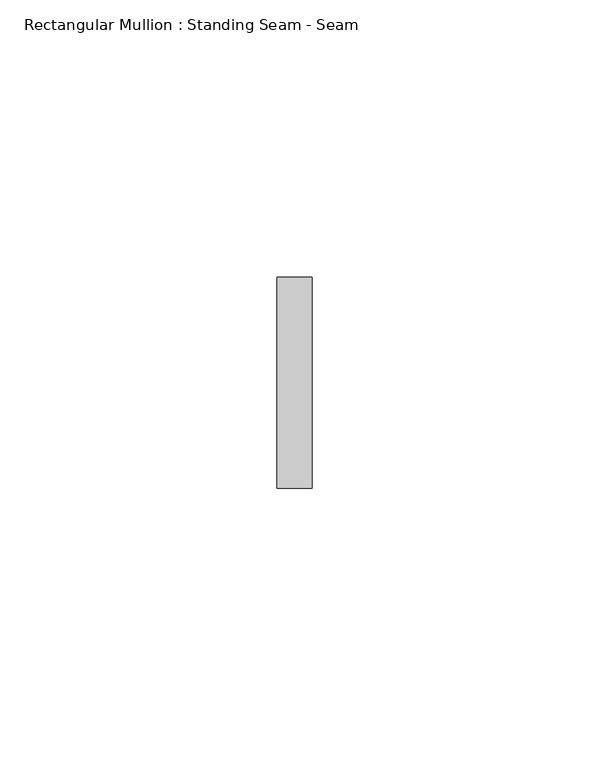
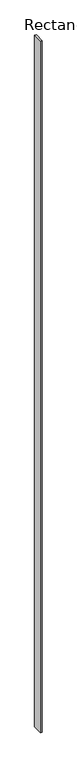
"""IFC4 building model written with IfcOpenShell, lengths in millimetres: member geometry, Rectangular Mullion : Standing Seam - Seam."""

from ifc_helpers import new_model, si_unit, frame, origin, place, context, project, spatial, polyline, outline, extrude, source, transform, mapped, element, save


def rectangular_mullion_standing_seam_seam_c80a513d(model_context):
    return source(origin(), model_context, "Body", "SweptSolid", [
        extrude(outline(polyline([(3.175, 41.275), (3.175, 3.175), (-3.175, 3.175), (-3.175, 41.275), (3.175, 41.275)])), frame((0.0, 0.0, -2764.1005308), z_axis=(0.0, 0.0, 1.0), x_axis=(1.0, 0.0, 0.0)), (0.0, 0.0, 1.0), 2764.1005308),
    ])


if __name__ == "__main__":
    model = new_model("IFC4")
    model_context = context("Model", 3, world=origin())
    ifc_project = project(units=[si_unit("LENGTHUNIT", "METRE", prefix="MILLI")], contexts=[model_context])
    site = spatial("IfcSite", under=ifc_project)
    building = spatial("IfcBuilding", under=site)
    placement = place(None, origin())
    rectangular_mullion_standing_seam_seam_shape = rectangular_mullion_standing_seam_seam_c80a513d(model_context)
    element("IfcMember", 1, ObjectType="Rectangular Mullion : Standing Seam - Seam", at=placement, inside=building, context=model_context, shape_type="MappedRepresentation", body=[
        mapped(rectangular_mullion_standing_seam_seam_shape, transform((0.0, 0.0, 0.0), x_axis=(1.0, 0.0, 0.0), y_axis=(0.0, 1.0, 0.0), z_axis=(0.0, 0.0, 1.0))),
    ])
    save(model, "model.ifc")
